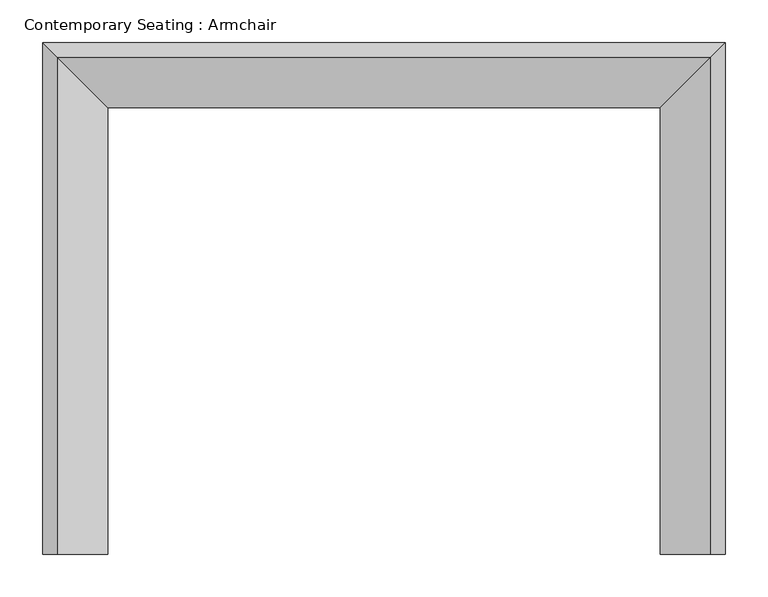
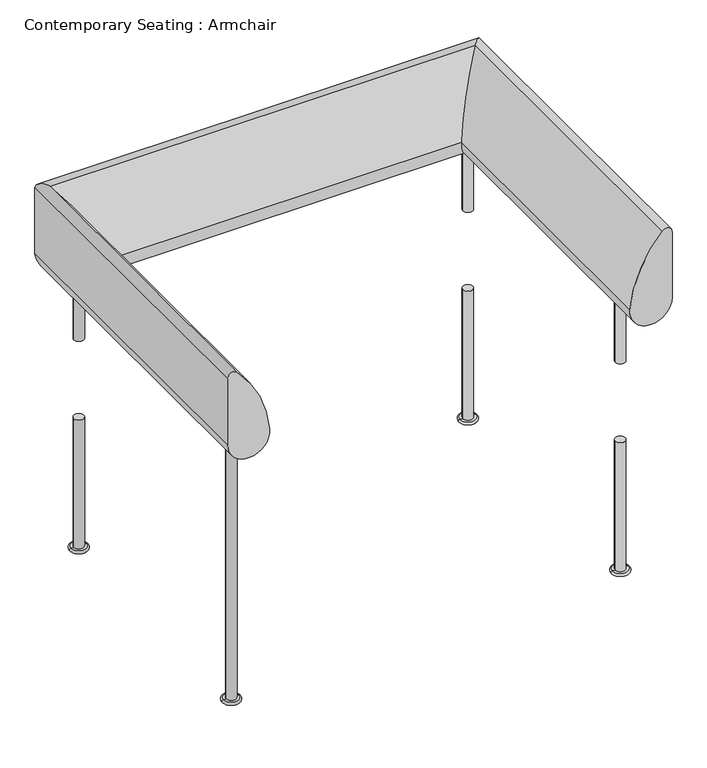
"""IFC4 building model written with IfcOpenShell, lengths in millimetres: furniture geometry, Contemporary Seating : Armchair."""

from ifc_helpers import new_model, si_unit, point, frame, origin, place, context, project, spatial, circle_curve, ellipse_curve, trimmed, source, transform, mapped, element, save
from ifc_brep_helpers import plane_surface, cylinder_surface, revolved_surface, advanced_brep


def contemporary_seating_armchair_88942494(model_context):
    return source(origin(), model_context, "Body", "AdvancedBrep", [
        advanced_brep(
        [(462.3811933, -50.0, 5.0), (480.3811933, -50.0, 5.0), (480.3811933, -50.0, 250.0), (462.3811933, -50.0, 250.0), (457.3811933, -50.0, 5.0), (485.3811933, -50.0, 5.0), (457.3811933, -50.0, 0.0), (485.3811933, -50.0, 0.0), (471.3811933, -50.0, 0.0)],
        [
            (0, 1, circle_curve(frame((471.3811933, -50.0, 5.0), z_axis=(0.0, 0.0, 1.0), x_axis=(1.0, 0.0, 0.0)), 9.0)),
            (1, 2),
            (2, 3, circle_curve(frame((471.3811933, -50.0, 250.0), z_axis=(0.0, 0.0, -1.0), x_axis=(1.0, 0.0, 0.0)), 9.0)),
            (3, 0),
            (1, 0, circle_curve(frame((471.3811933, -50.0, 5.0), z_axis=(0.0, 0.0, 1.0), x_axis=(1.0, 0.0, 0.0)), 9.0)),
            (3, 2, circle_curve(frame((471.3811933, -50.0, 250.0), z_axis=(0.0, 0.0, -1.0), x_axis=(1.0, 0.0, 0.0)), 9.0)),
            (0, 4),
            (4, 5, circle_curve(frame((471.3811933, -50.0, 5.0), z_axis=(0.0, 0.0, 1.0), x_axis=(1.0, 0.0, 0.0)), 14.0)),
            (5, 1),
            (5, 4, circle_curve(frame((471.3811933, -50.0, 5.0), z_axis=(0.0, 0.0, 1.0), x_axis=(1.0, 0.0, 0.0)), 14.0)),
            (4, 6, circle_curve(frame((457.3811933, -50.0, 2.5), z_axis=(0.0, -1.0, 0.0), x_axis=(1.0, 0.0, 0.0)), 2.5)),
            (6, 7, circle_curve(frame((471.3811933, -50.0, 0.0), z_axis=(0.0, 0.0, 1.0), x_axis=(1.0, 0.0, 0.0)), 14.0)),
            (7, 5, circle_curve(frame((485.3811933, -50.0, 2.5), z_axis=(0.0, -1.0, 0.0), x_axis=(-1.0, 0.0, 0.0)), 2.5)),
            (7, 6, circle_curve(frame((471.3811933, -50.0, 0.0), z_axis=(0.0, 0.0, 1.0), x_axis=(1.0, 0.0, 0.0)), 14.0)),
            (6, 8),
            (8, 7),
        ],
        [
            cylinder_surface(frame((471.3811933, -50.0, -55.0), z_axis=(0.0, 0.0, -1.0), x_axis=(1.0, 0.0, 0.0)), 9.0),
            plane_surface(frame((471.3811933, -50.0, 5.0), z_axis=(0.0, 0.0, 1.0), x_axis=(1.0, 0.0, 0.0))),
            revolved_surface(trimmed(ellipse_curve(frame((485.3811933, -50.0, 2.5), z_axis=(0.0, 1.0, 0.0), x_axis=(-1.0, 0.0, 0.0)), 2.5, 2.5), [point((485.3811933, -50.0, 5.0))], [point((485.3811933, -50.0, 0.0))], True, "CARTESIAN"), (471.3811933, -50.0, -55.0), (0.0, 0.0, -1.0)),
            plane_surface(frame((471.3811933, -50.0, 0.0), z_axis=(0.0, 0.0, -1.0), x_axis=(1.0, 0.0, 0.0))),
            plane_surface(frame((-219.6188067, -50.0, 250.0), z_axis=(0.0, 0.0, 1.0), x_axis=(0.0, -1.0, 0.0))),
        ],
        [
            (0, [[1, 2, 3, 4]]),
            (0, [[5, -4, 6, -2]]),
            (1, [[-1, 7, 8, 9]]),
            (1, [[-5, -9, 10, -7]]),
            (2, [[-8, 11, 12, 13]]),
            (2, [[-10, -13, 14, -11]]),
            (3, [[-12, 15, 16]]),
            (3, [[-14, -16, -15]]),
            (4, [[-3, -6]]),
        ],
    ),
        advanced_brep(
        [(480.3811933, -50.0, 534.0188008), (462.3811933, -50.0, 534.0188008), (462.3811933, -50.0, 400.0), (480.3811933, -50.0, 400.0), (471.3811933, -50.0, 534.0188008)],
        [
            (0, 1, circle_curve(frame((471.3811933, -50.0, 534.0188008), z_axis=(0.0, 0.0, -1.0), x_axis=(1.0, 0.0, 0.0)), 9.0)),
            (1, 2),
            (2, 3, circle_curve(frame((471.3811933, -50.0, 400.0), z_axis=(0.0, 0.0, 1.0), x_axis=(1.0, 0.0, 0.0)), 9.0)),
            (3, 0),
            (1, 0, circle_curve(frame((471.3811933, -50.0, 534.0188008), z_axis=(0.0, 0.0, -1.0), x_axis=(1.0, 0.0, 0.0)), 9.0)),
            (3, 2, circle_curve(frame((471.3811933, -50.0, 400.0), z_axis=(0.0, 0.0, 1.0), x_axis=(1.0, 0.0, 0.0)), 9.0)),
            (0, 4),
            (4, 1),
        ],
        [
            cylinder_surface(frame((471.3811933, -50.0, -55.0), z_axis=(0.0, 0.0, -1.0), x_axis=(1.0, 0.0, 0.0)), 9.0),
            plane_surface(frame((471.3811933, -50.0, 534.0188008), z_axis=(0.0, 0.0, 1.0), x_axis=(1.0, 0.0, 0.0))),
            plane_surface(frame((-219.6188067, -50.0, 400.0), z_axis=(0.0, 0.0, -1.0), x_axis=(0.0, 1.0, 0.0))),
        ],
        [
            (0, [[1, 2, 3, 4]]),
            (0, [[5, -4, 6, -2]]),
            (1, [[-1, 7, 8]]),
            (1, [[-5, -8, -7]]),
            (2, [[-3, -6]]),
        ],
    ),
        advanced_brep(
        [(-228.6188067, -50.0, 534.0188008), (-237.6188067, -50.0, 534.0188008), (-219.6188067, -50.0, 534.0188008), (-237.6188067, -50.0, 400.0), (-219.6188067, -50.0, 400.0)],
        [
            (0, 1),
            (1, 2, circle_curve(frame((-228.6188067, -50.0, 534.0188008), z_axis=(0.0, 0.0, 1.0), x_axis=(-1.0, 0.0, 0.0)), 9.0)),
            (2, 0),
            (2, 1, circle_curve(frame((-228.6188067, -50.0, 534.0188008), z_axis=(0.0, 0.0, 1.0), x_axis=(-1.0, 0.0, 0.0)), 9.0)),
            (1, 3),
            (3, 4, circle_curve(frame((-228.6188067, -50.0, 400.0), z_axis=(0.0, 0.0, 1.0), x_axis=(-1.0, 0.0, 0.0)), 9.0)),
            (4, 2),
            (4, 3, circle_curve(frame((-228.6188067, -50.0, 400.0), z_axis=(0.0, 0.0, 1.0), x_axis=(-1.0, 0.0, 0.0)), 9.0)),
        ],
        [
            plane_surface(frame((-228.6188067, -50.0, 534.0188008), z_axis=(0.0, 0.0, 1.0), x_axis=(-1.0, 0.0, 0.0))),
            cylinder_surface(frame((-228.6188067, -50.0, -55.0), z_axis=(0.0, 0.0, 1.0), x_axis=(-1.0, 0.0, 0.0)), 9.0),
            plane_surface(frame((-219.6188067, -50.0, 400.0), z_axis=(0.0, 0.0, -1.0), x_axis=(0.0, 1.0, 0.0))),
        ],
        [
            (0, [[1, 2, 3]]),
            (0, [[-1, -3, 4]]),
            (1, [[-2, 5, 6, 7]]),
            (1, [[-4, -7, 8, -5]]),
            (2, [[-6, -8]]),
        ],
    ),
        advanced_brep(
        [(-214.6188067, -50.0, 0.0), (-242.6188067, -50.0, 0.0), (-228.6188067, -50.0, 0.0), (-214.6188067, -50.0, 5.0), (-242.6188067, -50.0, 5.0), (-219.6188067, -50.0, 5.0), (-237.6188067, -50.0, 5.0), (-219.6188067, -50.0, 250.0), (-237.6188067, -50.0, 250.0)],
        [
            (0, 1, circle_curve(frame((-228.6188067, -50.0, 0.0), z_axis=(0.0, 0.0, -1.0), x_axis=(-1.0, 0.0, 0.0)), 14.0)),
            (1, 2),
            (2, 0),
            (1, 0, circle_curve(frame((-228.6188067, -50.0, 0.0), z_axis=(0.0, 0.0, -1.0), x_axis=(-1.0, 0.0, 0.0)), 14.0)),
            (0, 3, circle_curve(frame((-214.6188067, -50.0, 2.5), z_axis=(0.0, -1.0, 0.0), x_axis=(1.0, 0.0, 0.0)), 2.5)),
            (3, 4, circle_curve(frame((-228.6188067, -50.0, 5.0), z_axis=(0.0, 0.0, -1.0), x_axis=(-1.0, 0.0, 0.0)), 14.0)),
            (4, 1, circle_curve(frame((-242.6188067, -50.0, 2.5), z_axis=(0.0, -1.0, 0.0), x_axis=(-1.0, 0.0, 0.0)), 2.5)),
            (4, 3, circle_curve(frame((-228.6188067, -50.0, 5.0), z_axis=(0.0, 0.0, -1.0), x_axis=(-1.0, 0.0, 0.0)), 14.0)),
            (3, 5),
            (5, 6, circle_curve(frame((-228.6188067, -50.0, 5.0), z_axis=(0.0, 0.0, -1.0), x_axis=(-1.0, 0.0, 0.0)), 9.0)),
            (6, 4),
            (6, 5, circle_curve(frame((-228.6188067, -50.0, 5.0), z_axis=(0.0, 0.0, -1.0), x_axis=(-1.0, 0.0, 0.0)), 9.0)),
            (5, 7),
            (7, 8, circle_curve(frame((-228.6188067, -50.0, 250.0), z_axis=(0.0, 0.0, -1.0), x_axis=(-1.0, 0.0, 0.0)), 9.0)),
            (8, 6),
            (8, 7, circle_curve(frame((-228.6188067, -50.0, 250.0), z_axis=(0.0, 0.0, -1.0), x_axis=(-1.0, 0.0, 0.0)), 9.0)),
        ],
        [
            plane_surface(frame((-228.6188067, -50.0, 0.0), z_axis=(0.0, 0.0, -1.0), x_axis=(-1.0, 0.0, 0.0))),
            revolved_surface(trimmed(ellipse_curve(frame((-242.6188067, -50.0, 2.5), z_axis=(0.0, 1.0, 0.0), x_axis=(-1.0, 0.0, 0.0)), 2.5, 2.5), [point((-242.6188067, -50.0, 0.0))], [point((-242.6188067, -50.0, 5.0))], True, "CARTESIAN"), (-228.6188067, -50.0, -55.0), (0.0, 0.0, 1.0)),
            plane_surface(frame((-228.6188067, -50.0, 5.0), z_axis=(0.0, 0.0, 1.0), x_axis=(-1.0, 0.0, 0.0))),
            cylinder_surface(frame((-228.6188067, -50.0, -55.0), z_axis=(0.0, 0.0, 1.0), x_axis=(-1.0, 0.0, 0.0)), 9.0),
            plane_surface(frame((-219.6188067, -50.0, 250.0), z_axis=(0.0, 0.0, 1.0), x_axis=(0.0, -1.0, 0.0))),
        ],
        [
            (0, [[1, 2, 3]]),
            (0, [[-2, 4, -3]]),
            (1, [[-1, 5, 6, 7]]),
            (1, [[-4, -7, 8, -5]]),
            (2, [[-6, 9, 10, 11]]),
            (2, [[-8, -11, 12, -9]]),
            (3, [[-10, 13, 14, 15]]),
            (3, [[-12, -15, 16, -13]]),
            (4, [[-14, -16]]),
        ],
    ),
        advanced_brep(
        [(462.3811933, -525.0, 5.0), (480.3811933, -525.0, 5.0), (480.3811933, -525.0, 250.0), (462.3811933, -525.0, 250.0), (457.3811933, -525.0, 5.0), (485.3811933, -525.0, 5.0), (457.3811933, -525.0, 0.0), (485.3811933, -525.0, 0.0), (471.3811933, -525.0, 0.0)],
        [
            (0, 1, circle_curve(frame((471.3811933, -525.0, 5.0), z_axis=(0.0, 0.0, 1.0), x_axis=(1.0, 0.0, 0.0)), 9.0)),
            (1, 2),
            (2, 3, circle_curve(frame((471.3811933, -525.0, 250.0), z_axis=(0.0, 0.0, -1.0), x_axis=(1.0, 0.0, 0.0)), 9.0)),
            (3, 0),
            (1, 0, circle_curve(frame((471.3811933, -525.0, 5.0), z_axis=(0.0, 0.0, 1.0), x_axis=(1.0, 0.0, 0.0)), 9.0)),
            (3, 2, circle_curve(frame((471.3811933, -525.0, 250.0), z_axis=(0.0, 0.0, -1.0), x_axis=(1.0, 0.0, 0.0)), 9.0)),
            (0, 4),
            (4, 5, circle_curve(frame((471.3811933, -525.0, 5.0), z_axis=(0.0, 0.0, 1.0), x_axis=(1.0, 0.0, 0.0)), 14.0)),
            (5, 1),
            (5, 4, circle_curve(frame((471.3811933, -525.0, 5.0), z_axis=(0.0, 0.0, 1.0), x_axis=(1.0, 0.0, 0.0)), 14.0)),
            (4, 6, circle_curve(frame((457.3811933, -525.0, 2.5), z_axis=(0.0, -1.0, 0.0), x_axis=(-1.0, 0.0, 0.0)), 2.5)),
            (6, 7, circle_curve(frame((471.3811933, -525.0, 0.0), z_axis=(0.0, 0.0, 1.0), x_axis=(1.0, 0.0, 0.0)), 14.0)),
            (7, 5, circle_curve(frame((485.3811933, -525.0, 2.5), z_axis=(0.0, -1.0, 0.0), x_axis=(1.0, 0.0, 0.0)), 2.5)),
            (7, 6, circle_curve(frame((471.3811933, -525.0, 0.0), z_axis=(0.0, 0.0, 1.0), x_axis=(1.0, 0.0, 0.0)), 14.0)),
            (6, 8),
            (8, 7),
        ],
        [
            cylinder_surface(frame((471.3811933, -525.0, -55.0), z_axis=(0.0, 0.0, -1.0), x_axis=(1.0, 0.0, 0.0)), 9.0),
            plane_surface(frame((471.3811933, -525.0, 5.0), z_axis=(0.0, 0.0, 1.0), x_axis=(1.0, 0.0, 0.0))),
            revolved_surface(trimmed(ellipse_curve(frame((485.3811933, -525.0, 2.5), z_axis=(0.0, 1.0, 0.0), x_axis=(1.0, 0.0, 0.0)), 2.5, 2.5), [point((485.3811933, -525.0, 5.0))], [point((485.3811933, -525.0, 0.0))], True, "CARTESIAN"), (471.3811933, -525.0, -55.0), (0.0, 0.0, -1.0)),
            plane_surface(frame((471.3811933, -525.0, 0.0), z_axis=(0.0, 0.0, -1.0), x_axis=(1.0, 0.0, 0.0))),
            plane_surface(frame((-219.6188067, -50.0, 250.0), z_axis=(0.0, 0.0, 1.0), x_axis=(0.0, -1.0, 0.0))),
        ],
        [
            (0, [[1, 2, 3, 4]]),
            (0, [[5, -4, 6, -2]]),
            (1, [[-1, 7, 8, 9]]),
            (1, [[-5, -9, 10, -7]]),
            (2, [[-8, 11, 12, 13]]),
            (2, [[-10, -13, 14, -11]]),
            (3, [[-12, 15, 16]]),
            (3, [[-14, -16, -15]]),
            (4, [[-3, -6]]),
        ],
    ),
        advanced_brep(
        [(480.3811933, -525.0, 534.0188008), (462.3811933, -525.0, 534.0188008), (462.3811933, -525.0, 400.0), (480.3811933, -525.0, 400.0), (471.3811933, -525.0, 534.0188008)],
        [
            (0, 1, circle_curve(frame((471.3811933, -525.0, 534.0188008), z_axis=(0.0, 0.0, -1.0), x_axis=(1.0, 0.0, 0.0)), 9.0)),
            (1, 2),
            (2, 3, circle_curve(frame((471.3811933, -525.0, 400.0), z_axis=(0.0, 0.0, 1.0), x_axis=(1.0, 0.0, 0.0)), 9.0)),
            (3, 0),
            (1, 0, circle_curve(frame((471.3811933, -525.0, 534.0188008), z_axis=(0.0, 0.0, -1.0), x_axis=(1.0, 0.0, 0.0)), 9.0)),
            (3, 2, circle_curve(frame((471.3811933, -525.0, 400.0), z_axis=(0.0, 0.0, 1.0), x_axis=(1.0, 0.0, 0.0)), 9.0)),
            (0, 4),
            (4, 1),
        ],
        [
            cylinder_surface(frame((471.3811933, -525.0, -55.0), z_axis=(0.0, 0.0, -1.0), x_axis=(1.0, 0.0, 0.0)), 9.0),
            plane_surface(frame((471.3811933, -525.0, 534.0188008), z_axis=(0.0, 0.0, 1.0), x_axis=(1.0, 0.0, 0.0))),
            plane_surface(frame((-219.6188067, -50.0, 400.0), z_axis=(0.0, 0.0, -1.0), x_axis=(0.0, 1.0, 0.0))),
        ],
        [
            (0, [[1, 2, 3, 4]]),
            (0, [[5, -4, 6, -2]]),
            (1, [[-1, 7, 8]]),
            (1, [[-5, -8, -7]]),
            (2, [[-3, -6]]),
        ],
    ),
        advanced_brep(
        [(-228.6188067, -525.0, 534.0188008), (-237.6188067, -525.0, 534.0188008), (-219.6188067, -525.0, 534.0188008), (-214.6188067, -525.0, 0.0), (-242.6188067, -525.0, 0.0), (-228.6188067, -525.0, 0.0), (-214.6188067, -525.0, 5.0), (-242.6188067, -525.0, 5.0), (-219.6188067, -525.0, 5.0), (-237.6188067, -525.0, 5.0)],
        [
            (0, 1),
            (1, 2, circle_curve(frame((-228.6188067, -525.0, 534.0188008), z_axis=(0.0, 0.0, 1.0), x_axis=(-1.0, 0.0, 0.0)), 9.0)),
            (2, 0),
            (2, 1, circle_curve(frame((-228.6188067, -525.0, 534.0188008), z_axis=(0.0, 0.0, 1.0), x_axis=(-1.0, 0.0, 0.0)), 9.0)),
            (3, 4, circle_curve(frame((-228.6188067, -525.0, 0.0), z_axis=(0.0, 0.0, -1.0), x_axis=(-1.0, 0.0, 0.0)), 14.0)),
            (4, 5),
            (5, 3),
            (4, 3, circle_curve(frame((-228.6188067, -525.0, 0.0), z_axis=(0.0, 0.0, -1.0), x_axis=(-1.0, 0.0, 0.0)), 14.0)),
            (6, 7, circle_curve(frame((-228.6188067, -525.0, 5.0), z_axis=(0.0, 0.0, -1.0), x_axis=(-1.0, 0.0, 0.0)), 14.0)),
            (7, 4, circle_curve(frame((-242.6188067, -525.0, 2.5), z_axis=(0.0, -1.0, 0.0), x_axis=(-1.0, 0.0, 0.0)), 2.5)),
            (3, 6, circle_curve(frame((-214.6188067, -525.0, 2.5), z_axis=(0.0, -1.0, 0.0), x_axis=(1.0, 0.0, 0.0)), 2.5)),
            (7, 6, circle_curve(frame((-228.6188067, -525.0, 5.0), z_axis=(0.0, 0.0, -1.0), x_axis=(-1.0, 0.0, 0.0)), 14.0)),
            (8, 9, circle_curve(frame((-228.6188067, -525.0, 5.0), z_axis=(0.0, 0.0, -1.0), x_axis=(-1.0, 0.0, 0.0)), 9.0)),
            (9, 7),
            (6, 8),
            (9, 8, circle_curve(frame((-228.6188067, -525.0, 5.0), z_axis=(0.0, 0.0, -1.0), x_axis=(-1.0, 0.0, 0.0)), 9.0)),
            (1, 9),
            (8, 2),
        ],
        [
            plane_surface(frame((-228.6188067, -525.0, 534.0188008), z_axis=(0.0, 0.0, 1.0), x_axis=(-1.0, 0.0, 0.0))),
            plane_surface(frame((-228.6188067, -525.0, 0.0), z_axis=(0.0, 0.0, -1.0), x_axis=(-1.0, 0.0, 0.0))),
            revolved_surface(trimmed(ellipse_curve(frame((-242.6188067, -525.0, 2.5), z_axis=(0.0, 1.0, 0.0), x_axis=(-1.0, 0.0, 0.0)), 2.5, 2.5), [point((-242.6188067, -525.0, 0.0))], [point((-242.6188067, -525.0, 5.0))], True, "CARTESIAN"), (-228.6188067, -525.0, -55.0), (0.0, 0.0, 1.0)),
            plane_surface(frame((-228.6188067, -525.0, 5.0), z_axis=(0.0, 0.0, 1.0), x_axis=(-1.0, 0.0, 0.0))),
            cylinder_surface(frame((-228.6188067, -525.0, -55.0), z_axis=(0.0, 0.0, 1.0), x_axis=(-1.0, 0.0, 0.0)), 9.0),
        ],
        [
            (0, [[1, 2, 3]]),
            (0, [[-3, 4, -1]]),
            (1, [[5, 6, 7]]),
            (1, [[8, -7, -6]]),
            (2, [[9, 10, -5, 11]]),
            (2, [[12, -11, -8, -10]]),
            (3, [[13, 14, -9, 15]]),
            (3, [[16, -15, -12, -14]]),
            (4, [[-2, 17, -13, 18]]),
            (4, [[-4, -18, -16, -17]]),
        ],
    ),
        advanced_brep(
        [(521.3811933, -600.0, 547.957521), (521.3811933, -600.0, 673.2146017), (504.1694752, -600.0, 680.1421642), (445.3649894, -600.0, 551.4545071), (521.3811933, 0.0, 547.957521), (521.3811933, 0.0, 673.2146017), (504.1694752, -17.2117181, 680.1421642), (445.3649894, -76.0162039, 551.4545071), (-278.6188067, 0.0, 547.957521), (-278.6188067, 0.0, 673.2146017), (-261.4070886, -17.2117181, 680.1421642), (-202.6026028, -76.0162039, 551.4545071), (-278.6188067, -600.0, 547.957521), (-202.6026028, -600.0, 551.4545071), (-261.4070886, -600.0, 680.1421642), (-278.6188067, -600.0, 673.2146017)],
        [
            (0, 1),
            (1, 2, circle_curve(frame((511.3811933, -600.0, 673.2146017), z_axis=(0.0, -1.0, 0.0), x_axis=(-1.0, 0.0, 0.0)), 10.0)),
            (2, 3, circle_curve(frame((658.6029618, -600.0, 531.793655), z_axis=(0.0, -1.0, 0.0), x_axis=(-1.0, 0.0, 0.0)), 214.1424338)),
            (3, 0, circle_curve(frame((483.2926551, -600.0, 547.957521), z_axis=(0.0, -1.0, 0.0), x_axis=(-1.0, 0.0, 0.0)), 38.0885381)),
            (0, 4),
            (4, 5),
            (5, 1),
            (5, 6, ellipse_curve(frame((511.3811933, -10.0, 673.2146017), z_axis=(0.7071067811865475, -0.7071067811865475, 0.0), x_axis=(-0.7071067811865474, -0.7071067811865476, 0.0)), 14.1421356, 10.0)),
            (6, 2),
            (6, 7, ellipse_curve(frame((658.6029618, 137.2217685, 531.793655), z_axis=(0.7071067811865475, -0.7071067811865475, 0.0), x_axis=(-0.7071067811865474, -0.7071067811865476, 0.0)), 302.8431341, 214.1424338)),
            (7, 3),
            (7, 4, ellipse_curve(frame((483.2926551, -38.0885381, 547.957521), z_axis=(0.7071067811865475, -0.7071067811865475, 0.0), x_axis=(-0.7071067811865474, -0.7071067811865476, 0.0)), 53.8653272, 38.0885381)),
            (4, 8),
            (8, 9),
            (9, 5),
            (9, 10, ellipse_curve(frame((-268.6188067, -10.0, 673.2146017), z_axis=(0.7071067811865475, 0.7071067811865475, 0.0), x_axis=(0.7071067811865476, -0.7071067811865474, 0.0)), 14.1421356, 10.0)),
            (10, 6),
            (10, 11, ellipse_curve(frame((-415.8405752, 137.2217685, 531.793655), z_axis=(0.7071067811865475, 0.7071067811865475, 0.0), x_axis=(0.7071067811865476, -0.7071067811865474, 0.0)), 302.8431341, 214.1424338)),
            (11, 7),
            (11, 8, ellipse_curve(frame((-240.5302686, -38.0885381, 547.957521), z_axis=(0.7071067811865475, 0.7071067811865475, 0.0), x_axis=(0.7071067811865476, -0.7071067811865474, 0.0)), 53.8653272, 38.0885381)),
            (12, 13, circle_curve(frame((-240.5302686, -600.0, 547.957521), z_axis=(0.0, -1.0, 0.0), x_axis=(1.0, 0.0, 0.0)), 38.0885381)),
            (13, 14, circle_curve(frame((-415.8405752, -600.0, 531.793655), z_axis=(0.0, -1.0, 0.0), x_axis=(1.0, 0.0, 0.0)), 214.1424338)),
            (14, 15, circle_curve(frame((-268.6188067, -600.0, 673.2146017), z_axis=(0.0, -1.0, 0.0), x_axis=(1.0, 0.0, 0.0)), 10.0)),
            (15, 12),
            (8, 12),
            (15, 9),
            (14, 10),
            (13, 11),
        ],
        [
            plane_surface(frame((521.3811933, -600.0, 400.0), z_axis=(0.0, -1.0, 0.0), x_axis=(0.0, 0.0, 1.0))),
            plane_surface(frame((521.3811933, -600.0, 547.957521), z_axis=(1.0, 0.0, 0.0), x_axis=(0.0, 1.0, 0.0))),
            cylinder_surface(frame((511.3811933, -600.0, 673.2146017), z_axis=(0.0, -1.0, 0.0), x_axis=(-1.0, 0.0, 0.0)), 10.0),
            cylinder_surface(frame((658.6029618, -600.0, 531.793655), z_axis=(0.0, -1.0, 0.0), x_axis=(-1.0, 0.0, 0.0)), 214.1424338),
            cylinder_surface(frame((483.2926551, -600.0, 547.957521), z_axis=(0.0, -1.0, 0.0), x_axis=(-1.0, 0.0, 0.0)), 38.0885381),
            plane_surface(frame((521.3811933, 0.0, 547.957521), z_axis=(0.0, 1.0, 0.0), x_axis=(-1.0, 0.0, 0.0))),
            cylinder_surface(frame((521.3811933, -10.0, 673.2146017), z_axis=(1.0, 0.0, 0.0), x_axis=(0.0, -1.0, 0.0)), 10.0),
            cylinder_surface(frame((521.3811933, 137.2217685, 531.793655), z_axis=(1.0, 0.0, 0.0), x_axis=(0.0, -1.0, 0.0)), 214.1424338),
            cylinder_surface(frame((521.3811933, -38.0885381, 547.957521), z_axis=(1.0, 0.0, 0.0), x_axis=(0.0, -1.0, 0.0)), 38.0885381),
            plane_surface(frame((-278.6188067, -600.0, 400.0), z_axis=(0.0, -1.0, 0.0), x_axis=(0.0, 0.0, 1.0))),
            plane_surface(frame((-278.6188067, 0.0, 547.957521), z_axis=(-1.0, 0.0, 0.0), x_axis=(0.0, -1.0, 0.0))),
            cylinder_surface(frame((-268.6188067, 0.0, 673.2146017), z_axis=(0.0, 1.0, 0.0), x_axis=(1.0, 0.0, 0.0)), 10.0),
            cylinder_surface(frame((-415.8405752, 0.0, 531.793655), z_axis=(0.0, 1.0, 0.0), x_axis=(1.0, 0.0, 0.0)), 214.1424338),
            cylinder_surface(frame((-240.5302686, 0.0, 547.957521), z_axis=(0.0, 1.0, 0.0), x_axis=(1.0, 0.0, 0.0)), 38.0885381),
        ],
        [
            (0, [[1, 2, 3, 4]]),
            (1, [[-1, 5, 6, 7]]),
            (2, [[-2, -7, 8, 9]]),
            (3, [[-3, -9, 10, 11]]),
            (4, [[-4, -11, 12, -5]]),
            (5, [[-6, 13, 14, 15]]),
            (6, [[-8, -15, 16, 17]]),
            (7, [[-10, -17, 18, 19]]),
            (8, [[-12, -19, 20, -13]]),
            (9, [[21, 22, 23, 24]]),
            (10, [[-14, 25, -24, 26]]),
            (11, [[-16, -26, -23, 27]]),
            (12, [[-18, -27, -22, 28]]),
            (13, [[-20, -28, -21, -25]]),
        ],
    ),
    ])


if __name__ == "__main__":
    model = new_model("IFC4")
    model_context = context("Model", 3, world=origin())
    ifc_project = project(units=[si_unit("LENGTHUNIT", "METRE", prefix="MILLI")], contexts=[model_context])
    site = spatial("IfcSite", under=ifc_project)
    building = spatial("IfcBuilding", under=site)
    placement = place(None, origin())
    contemporary_seating_armchair_shape = contemporary_seating_armchair_88942494(model_context)
    element("IfcFurniture", 1, ObjectType="Contemporary Seating : Armchair", at=placement, inside=building, context=model_context, shape_type="MappedRepresentation", body=[
        mapped(contemporary_seating_armchair_shape, transform((0.0, 0.0, 0.0), x_axis=(1.0, 0.0, 0.0), y_axis=(0.0, 1.0, 0.0), z_axis=(0.0, 0.0, 1.0))),
    ])
    save(model, "model.ifc")
